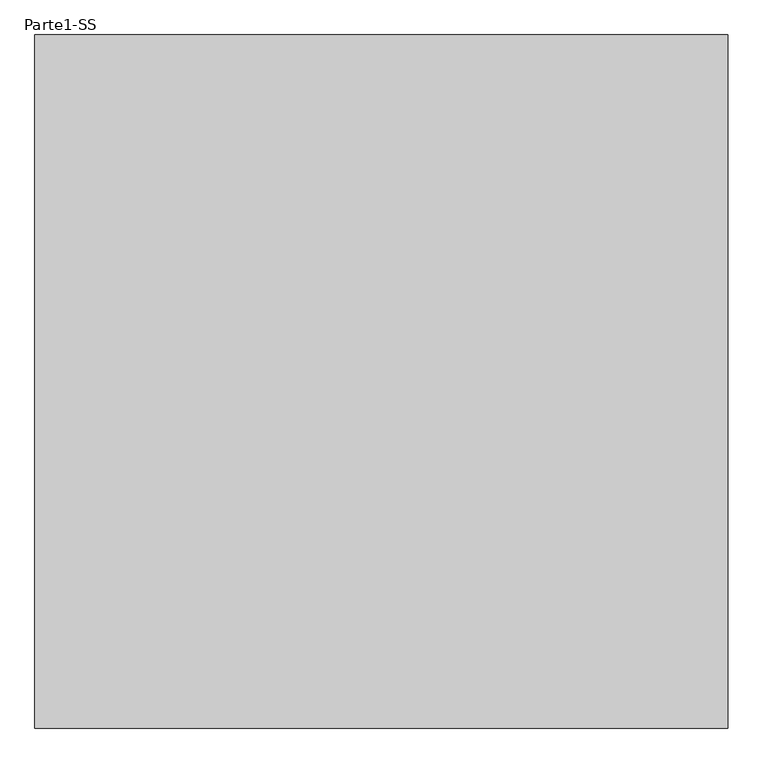
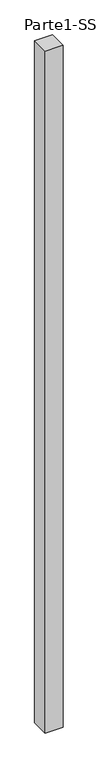
"""IFC4 building model written with IfcOpenShell, lengths in millimetres: proxy geometry, Parte1-SS."""

from ifc_helpers import new_model, si_unit, frame, origin, place, context, project, spatial, polyline, outline, extrude, source, transform, mapped, element, save


def parte1_ss_5557a9de(model_context):
    return source(origin(), model_context, "Body", "SweptSolid", [
        extrude(outline(polyline([(4000.0, 4000.0), (4000.0, 0.0), (0.0, 0.0), (0.0, 4000.0), (4000.0, 4000.0)])), frame((0.0, 0.0, 25000.0), z_axis=(0.0, 0.0, 1.0), x_axis=(1.0, 0.0, 0.0)), (0.0, 0.0, 1.0), 160000.0),
    ])


if __name__ == "__main__":
    model = new_model("IFC4")
    model_context = context("Model", 3, world=origin())
    ifc_project = project(units=[si_unit("LENGTHUNIT", "METRE", prefix="MILLI")], contexts=[model_context])
    site = spatial("IfcSite", under=ifc_project)
    building = spatial("IfcBuilding", under=site)
    placement = place(None, origin())
    parte1_ss_shape = parte1_ss_5557a9de(model_context)
    element("IfcBuildingElementProxy", 1, Name="Parte1-SS", ObjectType="Parte1-SS", at=placement, inside=building, context=model_context, shape_type="MappedRepresentation", body=[
        mapped(parte1_ss_shape, transform((0.0, 0.0, 0.0), x_axis=(1.0, 0.0, 0.0), y_axis=(0.0, 1.0, 0.0), z_axis=(0.0, 0.0, 1.0))),
    ])
    save(model, "model.ifc")
